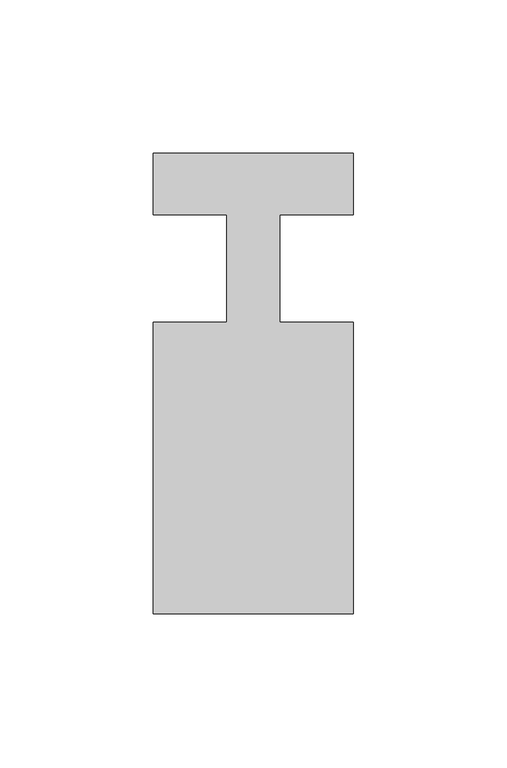
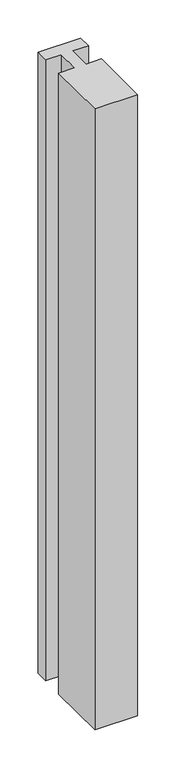
"""IFC4 building model written with IfcOpenShell, lengths in millimetres: member geometry."""

from ifc_helpers import new_model, si_unit, frame, origin, place, context, project, spatial, polyline, outline, extrude, source, transform, mapped, element, save


def member_b5318f53(model_context):
    return source(origin(), model_context, "Body", "SweptSolid", [
        extrude(outline(polyline([(-65.0, 37.0), (0.0, 37.0), (0.0, 17.0), (-23.8125, 17.0), (-23.8125, -18.0), (0.0, -18.0), (0.0, -113.0), (-65.0, -113.0), (-65.0, -18.0), (-41.1875, -18.0), (-41.1875, 17.0), (-65.0, 17.0), (-65.0, 37.0)])), frame((0.0, 0.0, -996.0714286), z_axis=(0.0, 0.0, 1.0), x_axis=(1.0, 0.0, 0.0)), (0.0, 0.0, 1.0), 996.0714286),
    ])


if __name__ == "__main__":
    model = new_model("IFC4")
    model_context = context("Model", 3, world=origin())
    ifc_project = project(units=[si_unit("LENGTHUNIT", "METRE", prefix="MILLI")], contexts=[model_context])
    site = spatial("IfcSite", under=ifc_project)
    building = spatial("IfcBuilding", under=site)
    placement = place(None, origin())
    member_shape = member_b5318f53(model_context)
    element("IfcMember", 1, at=placement, inside=building, context=model_context, shape_type="MappedRepresentation", body=[
        mapped(member_shape, transform((0.0, 0.0, 0.0), x_axis=(1.0, 0.0, 0.0), y_axis=(0.0, 1.0, 0.0), z_axis=(0.0, 0.0, 1.0))),
    ])
    save(model, "model.ifc")
